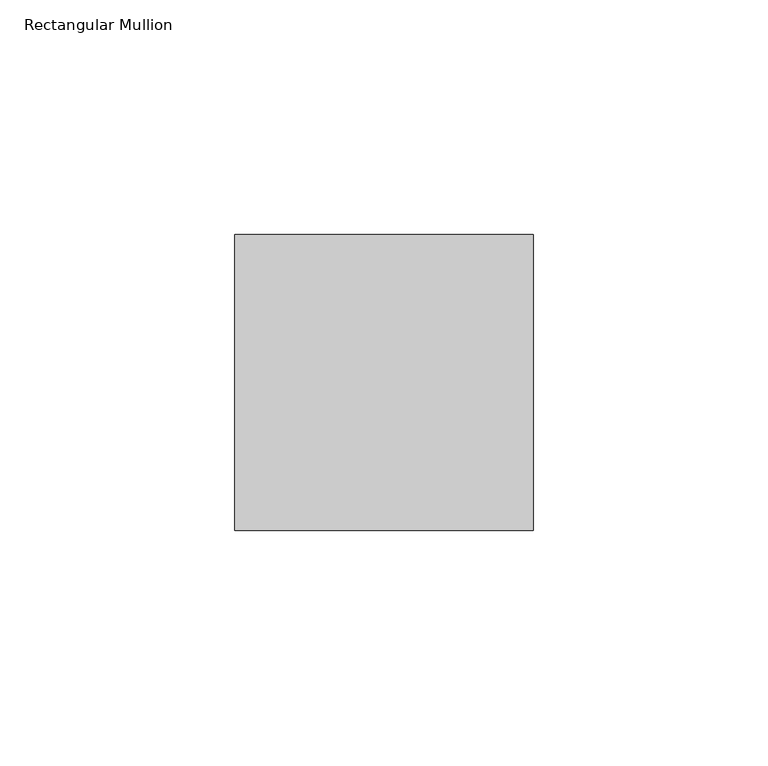
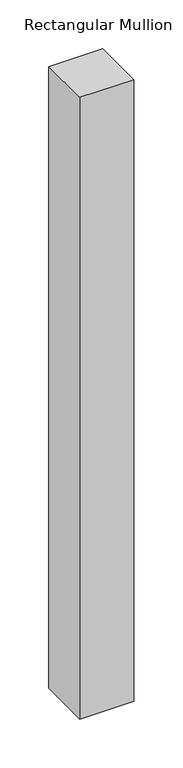
"""IFC4 building model written with IfcOpenShell, lengths in millimetres: member geometry, Rectangular Mullion."""

from ifc_helpers import new_model, si_unit, frame, origin, place, context, project, spatial, polyline, outline, extrude, source, transform, mapped, element, save


def rectangular_mullion_171cc91c(model_context):
    return source(origin(), model_context, "Body", "SweptSolid", [
        extrude(outline(polyline([(31.75, 52.5859375), (-31.75, 52.5859375), (-31.75, 115.5779375), (31.75, 115.5779375), (31.75, 52.5859375)])), frame((0.0, 0.0, -774.7), z_axis=(0.0, 0.0, 1.0), x_axis=(1.0, 0.0, 0.0)), (0.0, 0.0, 1.0), 774.7),
    ])


if __name__ == "__main__":
    model = new_model("IFC4")
    model_context = context("Model", 3, world=origin())
    ifc_project = project(units=[si_unit("LENGTHUNIT", "METRE", prefix="MILLI")], contexts=[model_context])
    site = spatial("IfcSite", under=ifc_project)
    building = spatial("IfcBuilding", under=site)
    placement = place(None, origin())
    rectangular_mullion_shape = rectangular_mullion_171cc91c(model_context)
    element("IfcMember", 1, ObjectType="Rectangular Mullion", at=placement, inside=building, context=model_context, shape_type="MappedRepresentation", body=[
        mapped(rectangular_mullion_shape, transform((0.0, 0.0, 0.0), x_axis=(1.0, 0.0, 0.0), y_axis=(0.0, 1.0, 0.0), z_axis=(0.0, 0.0, 1.0))),
    ])
    save(model, "model.ifc")
